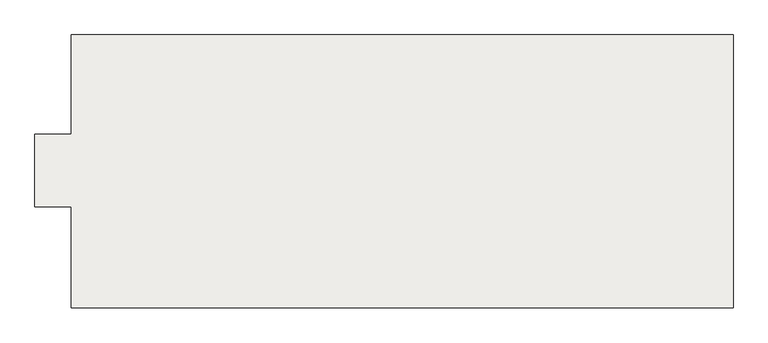
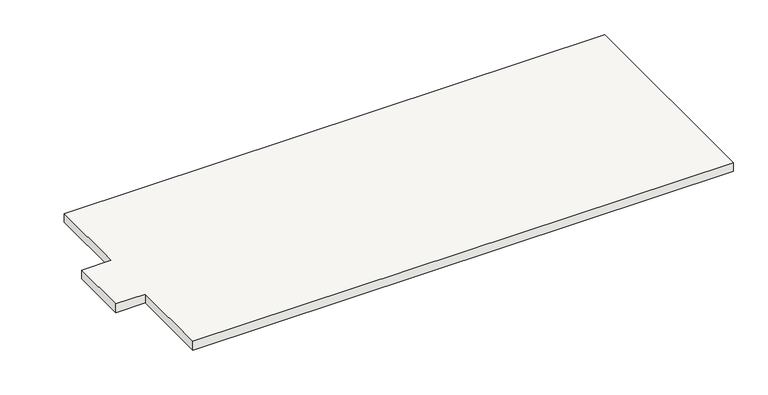
"""IFC4 building model written with IfcOpenShell, lengths in millimetres: slab geometry."""

from ifc_helpers import new_model, si_unit, frame, origin, place, context, project, spatial, polyline, outline, extrude, source, transform, mapped, element, save


def slab_9c8acf30(model_context):
    return source(origin(), model_context, "Body", "SweptSolid", [
        extrude(outline(polyline([(-6685.8729589, 3739.2068086), (-6685.8729589, 5519.2068086), (5184.1270411, 5519.2068086), (5184.1270411, 629.2068086), (-6685.8729589, 629.2068086), (-6685.8729589, 2439.2068086), (-7335.8729589, 2439.2068086), (-7335.8729589, 3739.2068086), (-6685.8729589, 3739.2068086)])), frame((0.0, 0.0, -200.0), z_axis=(0.0, 0.0, 1.0), x_axis=(1.0, 0.0, 0.0)), (0.0, 0.0, 1.0), 200.0),
    ])


if __name__ == "__main__":
    model = new_model("IFC4")
    model_context = context("Model", 3, world=origin())
    ifc_project = project(units=[si_unit("LENGTHUNIT", "METRE", prefix="MILLI")], contexts=[model_context])
    site = spatial("IfcSite", under=ifc_project)
    building = spatial("IfcBuilding", under=site)
    placement = place(None, origin())
    slab_shape = slab_9c8acf30(model_context)
    element("IfcSlab", 1, at=placement, inside=building, context=model_context, shape_type="MappedRepresentation", body=[
        mapped(slab_shape, transform((0.0, 0.0, 0.0), x_axis=(1.0, 0.0, 0.0), y_axis=(0.0, 1.0, 0.0), z_axis=(0.0, 0.0, 1.0))),
    ])
    save(model, "model.ifc")
